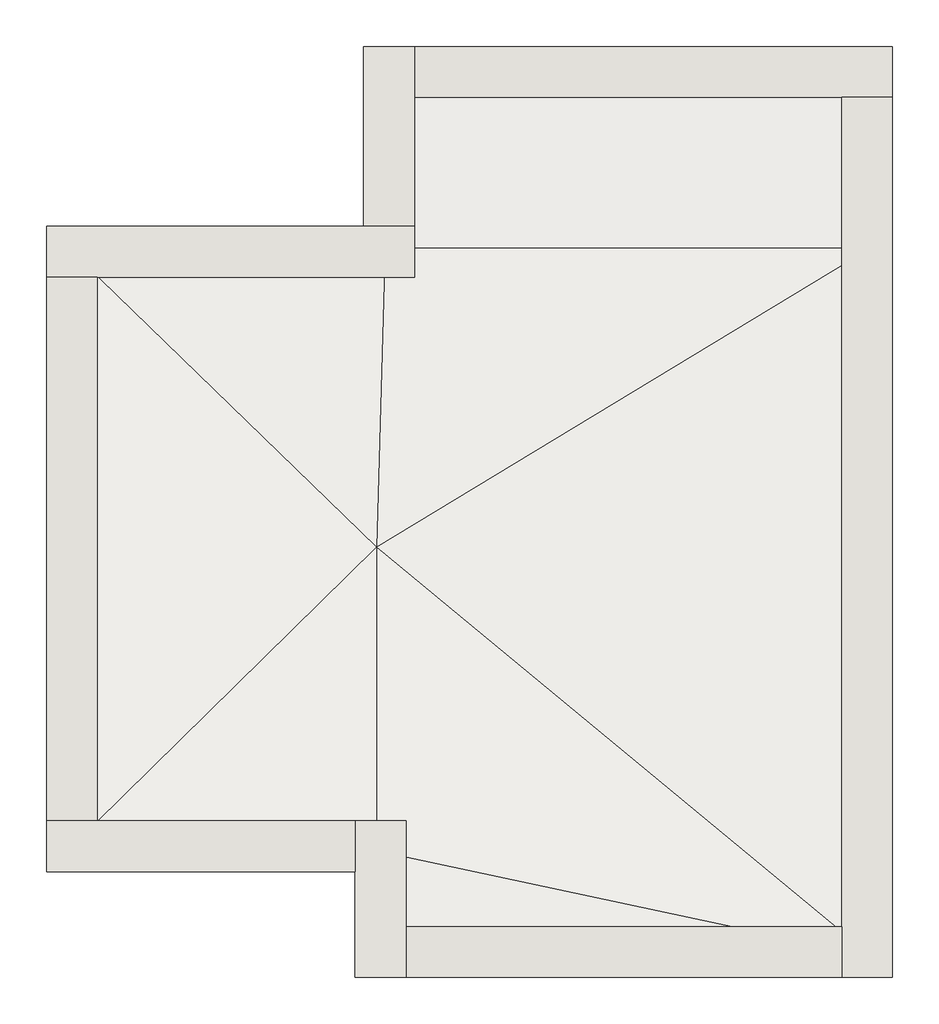
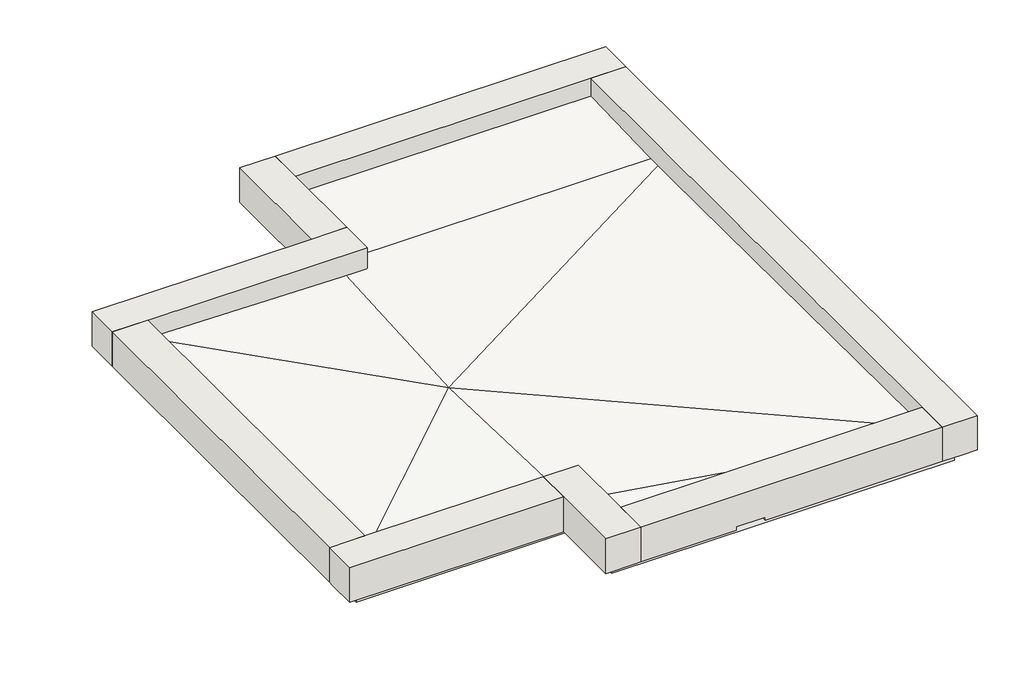
# One storey: 8 walls, 1 slab.
"""IFC4 building model written with IfcOpenShell, lengths in millimetres."""

from ifc_helpers import new_model, si_unit, origin, place, context, project, spatial, faceted_brep, element, save

model = new_model("IFC4")

# Units and contexts
model_context = context("Model", 3, world=origin())
ifc_project = project(units=[si_unit("LENGTHUNIT", "METRE", prefix="MILLI")], contexts=[model_context])

# Site, building, storey
site = spatial("IfcSite", under=ifc_project)
building = spatial("IfcBuilding", under=site)
storey = spatial("IfcBuildingStorey", under=building, Elevation=5740.0)

# Slab
placement = place(None, origin())
element("IfcSlab", 1, at=placement, inside=storey, context=model_context, shape_type="Brep", body=[
    faceted_brep([(-12606.0014824, 8387.324143, 5500.0), (-9606.0014824, 8387.324143, 5500.0), (-9606.0014824, 10014.324143, 5500.0), (-9406.0014824, 10014.324143, 5500.0), (-5206.0014824, 10014.324143, 5500.0), (-5006.0014824, 10014.324143, 5500.0), (-5006.0014824, 1687.324143, 5500.0), (-9686.0014824, 1687.324143, 5500.0), (-9686.0014824, 2687.324143, 5500.0), (-12606.0014824, 2687.324143, 5500.0), (-12606.0014824, 8387.324143, 5940.0), (-9606.0014824, 8387.324143, 5890.0), (-9606.0014824, 10014.324143, 5940.0), (-5006.0014824, 10014.324143, 5940.0), (-5006.0014824, 8387.324143, 5890.0), (-5006.0014824, 1687.324143, 5940.0), (-9686.0014824, 1687.324143, 5940.0), (-9686.0014824, 2687.324143, 5940.0), (-12606.0014824, 2687.324143, 5940.0), (-9686.0014824, 5552.4231598, 5840.0)], [[[0, 1, 2, 3, 4, 5, 6, 7, 8, 9]], [[1, 0, 10, 11]], [[2, 1, 11, 12]], [[5, 4, 3, 2, 12, 13]], [[6, 5, 13, 14, 15]], [[7, 6, 15, 16]], [[8, 7, 16, 17]], [[9, 8, 17, 18]], [[0, 9, 18, 10]], [[18, 17, 19]], [[13, 12, 11, 14]], [[18, 19, 10]], [[17, 15, 19]], [[11, 10, 19]], [[17, 16, 15]], [[15, 14, 19]], [[11, 19, 14]]]),
])

# Walls
element("IfcWall", 2, at=placement, inside=storey, context=model_context, shape_type="Brep", body=[
    faceted_brep([(-12806.0014824, 8107.324143, 5690.0), (-12326.0014824, 8107.324143, 5690.0), (-9326.0014824, 8107.324143, 5690.0), (-9326.0014824, 8107.324143, 6190.0), (-12326.0014824, 8107.324143, 6190.0), (-12806.0014824, 8107.324143, 6190.0), (-12806.0014824, 8587.324143, 5690.0), (-12806.0014824, 8587.324143, 6190.0), (-9806.0014824, 8587.324143, 6190.0), (-9326.0014824, 8587.324143, 6190.0), (-9326.0014824, 8587.324143, 5690.0), (-9806.0014824, 8587.324143, 5690.0), (-12806.0014824, 8187.324143, 5690.0)], [[[0, 1, 2, 3, 4, 5]], [[6, 7, 8, 9, 10, 11]], [[2, 1, 0, 12, 6, 11, 10]], [[5, 4, 3, 9, 8, 7]], [[3, 2, 10, 9]], [[0, 5, 7, 6, 12]]]),
])
element("IfcWall", 3, at=placement, inside=storey, context=model_context, shape_type="Brep", body=[
    faceted_brep([(-9326.0014824, 8587.324143, 5690.0), (-9326.0014824, 9807.324143, 5690.0), (-9326.0014824, 10287.324143, 5690.0), (-9326.0014824, 10287.324143, 6190.0), (-9326.0014824, 9807.324143, 6190.0), (-9326.0014824, 8587.324143, 6190.0), (-9806.0014824, 8587.324143, 5690.0), (-9806.0014824, 8587.324143, 5700.0), (-9806.0014824, 8587.324143, 6190.0), (-9806.0014824, 10287.324143, 6190.0), (-9806.0014824, 10287.324143, 5690.0), (-9806.0014824, 10087.324143, 5690.0), (-9406.0014824, 8587.324143, 5690.0)], [[[0, 1, 2, 3, 4, 5]], [[6, 7, 8, 9, 10, 11]], [[2, 1, 0, 12, 6, 11, 10]], [[5, 4, 3, 9, 8]], [[0, 5, 8, 7, 6, 12]], [[3, 2, 10, 9]]]),
])
element("IfcWall", 4, at=placement, inside=storey, context=model_context, shape_type="Brep", body=[
    faceted_brep([(-9326.0014824, 9807.324143, 5690.0), (-5286.0014824, 9807.324143, 5690.0), (-4806.0014824, 9807.324143, 5690.0), (-4806.0014824, 9807.324143, 6190.0), (-5286.0014824, 9807.324143, 6190.0), (-9326.0014824, 9807.324143, 6190.0), (-9326.0014824, 10287.324143, 5690.0), (-9326.0014824, 10287.324143, 6190.0), (-4806.0014824, 10287.324143, 6190.0), (-4806.0014824, 10287.324143, 5690.0), (-4806.0014824, 10087.324143, 5690.0)], [[[0, 1, 2, 3, 4, 5]], [[6, 7, 8, 9]], [[2, 1, 0, 6, 9, 10]], [[5, 4, 3, 8, 7]], [[0, 5, 7, 6]], [[3, 2, 10, 9, 8]]]),
])
element("IfcWall", 5, at=placement, inside=storey, context=model_context, shape_type="Brep", body=[
    faceted_brep([(-5286.0014824, 1487.324143, 6190.0), (-5286.0014824, 1967.324143, 6190.0), (-5286.0014824, 9807.324143, 6190.0), (-5286.0014824, 9807.324143, 5690.0), (-5286.0014824, 1967.324143, 5690.0), (-5286.0014824, 1687.324143, 5690.0), (-5286.0014824, 1687.324143, 5700.0), (-5286.0014824, 1487.324143, 5700.0), (-4806.0014824, 9807.324143, 6190.0), (-4806.0014824, 1487.324143, 6190.0), (-4806.0014824, 1487.324143, 5700.0), (-4806.0014824, 1887.324143, 5700.0), (-4806.0014824, 1887.324143, 5690.0), (-4806.0014824, 5707.324143, 5690.0), (-4806.0014824, 9807.324143, 5690.0), (-5006.0014824, 1887.324143, 5690.0), (-5006.0014824, 1687.324143, 5690.0), (-5006.0014824, 1487.324143, 5700.0), (-5006.0014824, 1887.324143, 5700.0), (-5006.0014824, 1687.324143, 5700.0)], [[[0, 1, 2, 3, 4, 5, 6, 7]], [[8, 9, 10, 11, 12, 13, 14]], [[3, 14, 13, 12, 15, 16, 5, 4]], [[2, 1, 0, 9, 8]], [[3, 2, 8, 14]], [[9, 0, 7, 17, 10]], [[11, 18, 15, 12]], [[18, 19, 16, 15]], [[19, 6, 5, 16]], [[19, 17, 7, 6]], [[18, 11, 10, 17, 19]]]),
])
element("IfcWall", 6, at=placement, inside=storey, context=model_context, shape_type="Brep", body=[
    faceted_brep([(-5286.0014824, 1967.324143, 5690.0), (-9406.0014824, 1967.324143, 5690.0), (-9406.0014824, 1967.324143, 6190.0), (-5286.0014824, 1967.324143, 6190.0), (-5286.0014824, 1487.324143, 6190.0), (-9406.0014824, 1487.324143, 6190.0), (-9406.0014824, 1487.324143, 5690.0), (-8101.2014824, 1487.324143, 5690.0), (-8101.2014824, 1487.324143, 5740.0), (-7706.0014824, 1487.324143, 5740.0), (-7706.0014824, 1487.324143, 5700.0), (-5286.0014824, 1487.324143, 5700.0), (-5286.0014824, 1687.324143, 5690.0), (-7706.0014824, 1687.324143, 5690.0), (-7706.0014824, 1887.324143, 5690.0), (-8101.2014824, 1887.324143, 5690.0), (-5286.0014824, 1687.324143, 5700.0), (-7706.0014824, 1887.324143, 5740.0), (-8101.2014824, 1887.324143, 5740.0), (-7706.0014824, 1687.324143, 5700.0)], [[[0, 1, 2, 3]], [[4, 5, 6, 7, 8, 9, 10, 11]], [[1, 0, 12, 13, 14, 15, 7, 6]], [[3, 2, 5, 4]], [[0, 3, 4, 11, 16, 12]], [[2, 1, 6, 5]], [[17, 18, 15, 14]], [[18, 8, 7, 15]], [[18, 17, 9, 8]], [[9, 17, 14, 13, 19, 10]], [[16, 19, 13, 12]], [[19, 16, 11, 10]]]),
])
element("IfcWall", 7, at=placement, inside=storey, context=model_context, shape_type="Brep", body=[
    faceted_brep([(-9406.0014824, 1487.324143, 5690.0), (-9406.0014824, 1967.324143, 5690.0), (-9406.0014824, 2967.324143, 5690.0), (-9406.0014824, 2967.324143, 6190.0), (-9406.0014824, 1967.324143, 6190.0), (-9406.0014824, 1487.324143, 6190.0), (-9886.0014824, 1487.324143, 5690.0), (-9886.0014824, 1487.324143, 6190.0), (-9886.0014824, 2487.324143, 6190.0), (-9886.0014824, 2967.324143, 6190.0), (-9886.0014824, 2967.324143, 5690.0), (-9886.0014824, 2687.324143, 5690.0), (-9886.0014824, 2487.324143, 5690.0), (-9486.0014824, 1487.324143, 5690.0)], [[[0, 1, 2, 3, 4, 5]], [[6, 7, 8, 9, 10, 11, 12]], [[2, 1, 0, 13, 6, 12, 11, 10]], [[5, 4, 3, 9, 8, 7]], [[0, 5, 7, 6, 13]], [[3, 2, 10, 9]]]),
])
element("IfcWall", 8, at=placement, inside=storey, context=model_context, shape_type="Brep", body=[
    faceted_brep([(-9886.0014824, 2967.324143, 5690.0), (-12326.0014824, 2967.324143, 5690.0), (-12806.0014824, 2967.324143, 5690.0), (-12806.0014824, 2967.324143, 6190.0), (-12326.0014824, 2967.324143, 6190.0), (-9886.0014824, 2967.324143, 6190.0), (-9886.0014824, 2487.324143, 5690.0), (-9886.0014824, 2487.324143, 6190.0), (-12806.0014824, 2487.324143, 6190.0), (-12806.0014824, 2487.324143, 5690.0), (-9886.0014824, 2887.324143, 5690.0), (-12806.0014824, 2887.324143, 5690.0)], [[[0, 1, 2, 3, 4, 5]], [[6, 7, 8, 9]], [[2, 1, 0, 10, 6, 9, 11]], [[5, 4, 3, 8, 7]], [[0, 5, 7, 6, 10]], [[3, 2, 11, 9, 8]]]),
])
element("IfcWall", 9, at=placement, inside=storey, context=model_context, shape_type="Brep", body=[
    faceted_brep([(-12326.0014824, 2967.324143, 5690.0), (-12326.0014824, 8107.324143, 5690.0), (-12326.0014824, 8107.324143, 6190.0), (-12326.0014824, 2967.324143, 6190.0), (-12806.0014824, 2967.324143, 5690.0), (-12806.0014824, 2967.324143, 5700.0), (-12806.0014824, 2967.324143, 6190.0), (-12806.0014824, 8107.324143, 6190.0), (-12806.0014824, 8107.324143, 5700.0), (-12806.0014824, 8107.324143, 5690.0), (-12806.0014824, 5707.324143, 5690.0), (-12606.0014824, 2967.324143, 5690.0), (-12406.0014824, 8107.324143, 5690.0)], [[[0, 1, 2, 3]], [[4, 5, 6, 7, 8, 9, 10]], [[1, 0, 11, 4, 10, 9, 12]], [[3, 2, 7, 6]], [[0, 3, 6, 5, 4, 11]], [[2, 1, 12, 9, 8, 7]]]),
])

save(model, "model.ifc")
